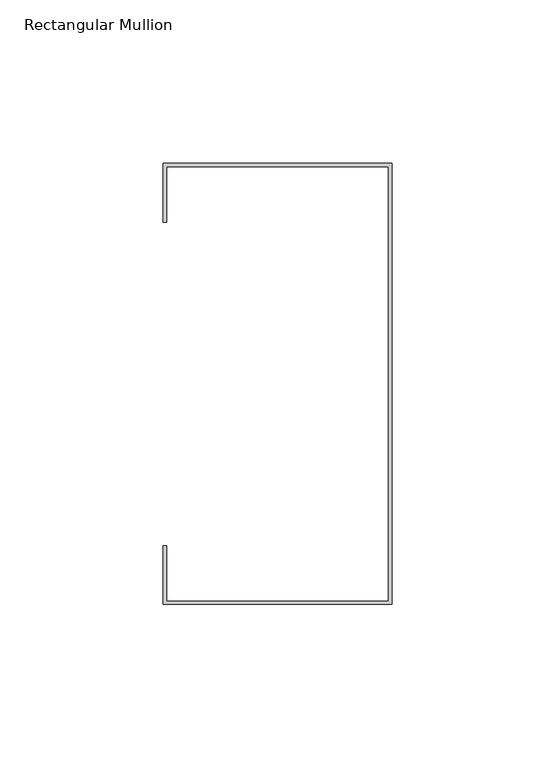
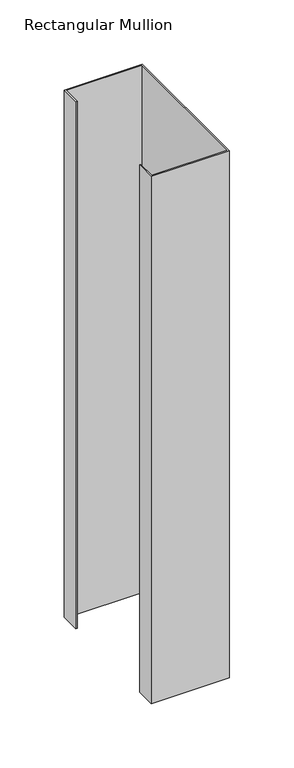
"""IFC4 building model written with IfcOpenShell, lengths in millimetres: member geometry, Rectangular Mullion."""

from ifc_helpers import new_model, si_unit, frame, origin, place, context, project, spatial, polyline, outline, extrude, source, transform, mapped, element, save


def rectangular_mullion_1d5a1d33(model_context):
    return source(origin(), model_context, "Body", "SweptSolid", [
        extrude(outline(polyline([(-250.0, 159.9842182), (-250.0, 24.9842182), (-320.0, 24.9842182), (-320.0, 42.9842182), (-319.0, 42.9842182), (-319.0, 25.9842182), (-251.0, 25.9842182), (-251.0, 158.9842182), (-319.0, 158.9842182), (-319.0, 141.9842182), (-320.0, 141.9842182), (-320.0, 159.9842182), (-250.0, 159.9842182)])), frame((0.0, 0.0, -499.9999997), z_axis=(0.0, 0.0, 1.0), x_axis=(1.0, 0.0, 0.0)), (0.0, 0.0, 1.0), 499.9999997),
    ])


if __name__ == "__main__":
    model = new_model("IFC4")
    model_context = context("Model", 3, world=origin())
    ifc_project = project(units=[si_unit("LENGTHUNIT", "METRE", prefix="MILLI")], contexts=[model_context])
    site = spatial("IfcSite", under=ifc_project)
    building = spatial("IfcBuilding", under=site)
    placement = place(None, origin())
    rectangular_mullion_shape = rectangular_mullion_1d5a1d33(model_context)
    element("IfcMember", 1, ObjectType="Rectangular Mullion", at=placement, inside=building, context=model_context, shape_type="MappedRepresentation", body=[
        mapped(rectangular_mullion_shape, transform((0.0, 0.0, 0.0), x_axis=(1.0, 0.0, 0.0), y_axis=(0.0, 1.0, 0.0), z_axis=(0.0, 0.0, 1.0))),
    ])
    save(model, "model.ifc")
